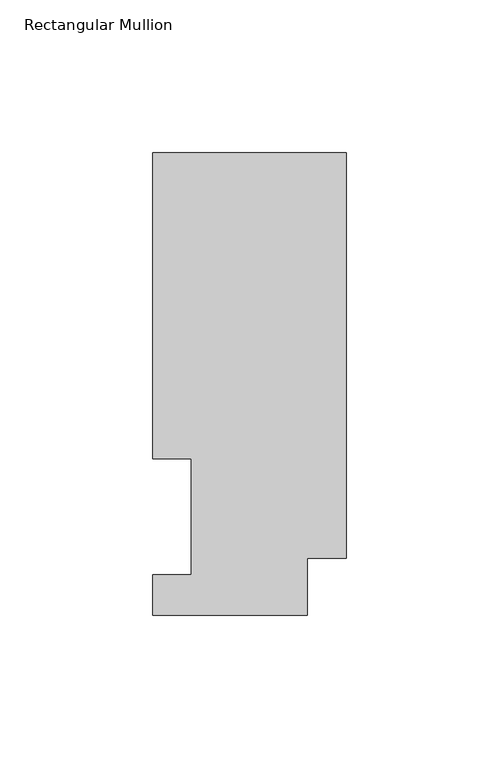
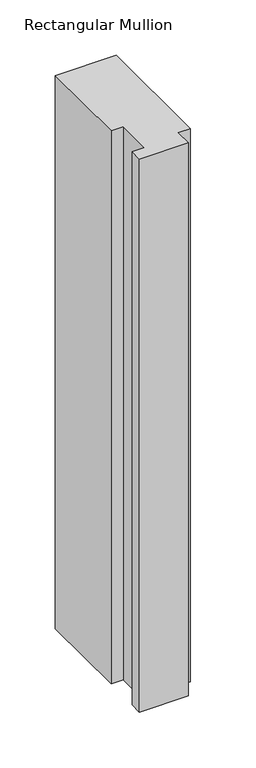
"""IFC4 building model written with IfcOpenShell, lengths in millimetres: member geometry, Rectangular Mullion."""

from ifc_helpers import new_model, si_unit, frame, origin, place, context, project, spatial, polyline, outline, extrude, source, transform, mapped, element, save


def rectangular_mullion_5c41cbc6(model_context):
    return source(origin(), model_context, "Body", "SweptSolid", [
        extrude(outline(polyline([(0.0, 151.7022937), (0.0, 18.7332937), (-12.7, 18.7332937), (-12.7, 0.0134937), (-63.5, 0.0134937), (-63.5, 13.1960938), (-50.8, 13.1960938), (-50.8, 51.2960938), (-63.5, 51.2960938), (-63.5, 151.7022937), (0.0, 151.7022937)])), frame((0.0, 0.0, -609.6), z_axis=(0.0, 0.0, 1.0), x_axis=(1.0, 0.0, 0.0)), (0.0, 0.0, 1.0), 609.6),
    ])


if __name__ == "__main__":
    model = new_model("IFC4")
    model_context = context("Model", 3, world=origin())
    ifc_project = project(units=[si_unit("LENGTHUNIT", "METRE", prefix="MILLI")], contexts=[model_context])
    site = spatial("IfcSite", under=ifc_project)
    building = spatial("IfcBuilding", under=site)
    placement = place(None, origin())
    rectangular_mullion_shape = rectangular_mullion_5c41cbc6(model_context)
    element("IfcMember", 1, ObjectType="Rectangular Mullion", at=placement, inside=building, context=model_context, shape_type="MappedRepresentation", body=[
        mapped(rectangular_mullion_shape, transform((0.0, 0.0, 0.0), x_axis=(1.0, 0.0, 0.0), y_axis=(0.0, 1.0, 0.0), z_axis=(0.0, 0.0, 1.0))),
    ])
    save(model, "model.ifc")
